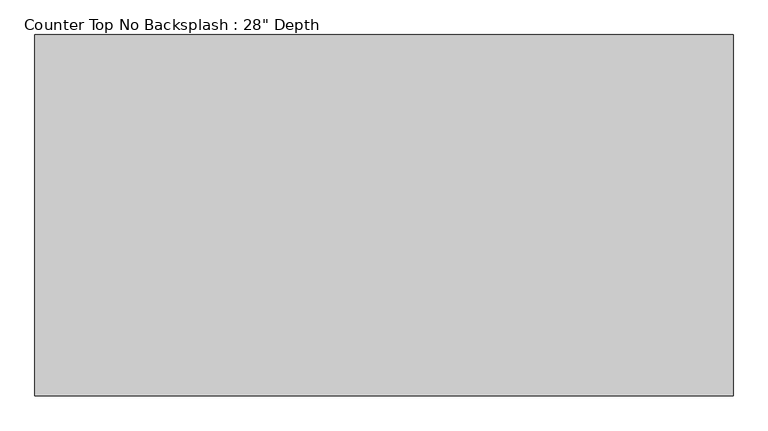
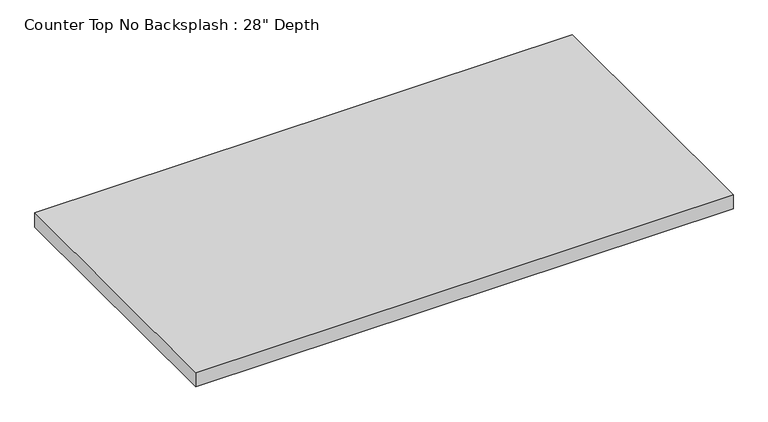
"""IFC4 building model written with IfcOpenShell, lengths in millimetres: furniture geometry."""

from ifc_helpers import new_model, si_unit, frame, origin, place, context, project, spatial, polyline, outline, extrude, source, transform, mapped, element, save


def furniture_a8597375(model_context):
    return source(origin(), model_context, "Body", "SweptSolid", [
        extrude(outline(polyline([(173.3542161, 0.0), (173.3542161, -711.2), (-1200.4622951, -711.2), (-1200.4622951, 0.0), (173.3542161, 0.0)])), frame((0.0, 0.0, 876.3), z_axis=(0.0, 0.0, 1.0), x_axis=(1.0, 0.0, 0.0)), (0.0, 0.0, 1.0), 38.1),
    ])


if __name__ == "__main__":
    model = new_model("IFC4")
    model_context = context("Model", 3, world=origin())
    ifc_project = project(units=[si_unit("LENGTHUNIT", "METRE", prefix="MILLI")], contexts=[model_context])
    site = spatial("IfcSite", under=ifc_project)
    building = spatial("IfcBuilding", under=site)
    placement = place(None, origin())
    furniture_shape = furniture_a8597375(model_context)
    element("IfcFurniture", 1, ObjectType="Counter Top No Backsplash : 28\" Depth", at=placement, inside=building, context=model_context, shape_type="MappedRepresentation", body=[
        mapped(furniture_shape, transform((0.0, 0.0, 0.0), x_axis=(1.0, 0.0, 0.0), y_axis=(0.0, 1.0, 0.0), z_axis=(0.0, 0.0, 1.0))),
    ])
    save(model, "model.ifc")
